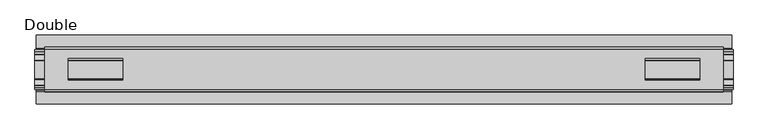
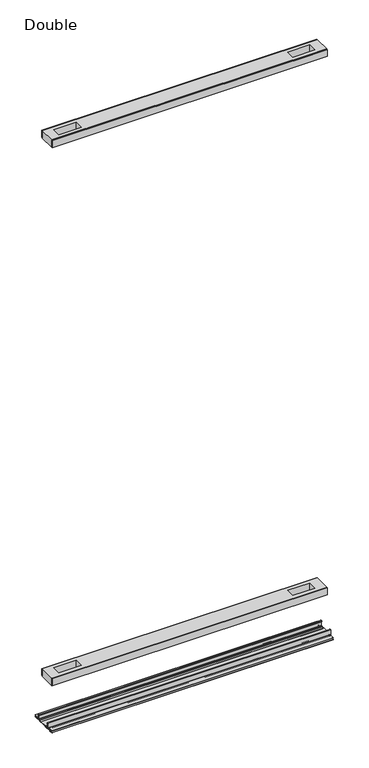
"""IFC4 building model written with IfcOpenShell, lengths in millimetres: proxy geometry, Double."""

from ifc_helpers import new_model, si_unit, point, frame, frame_2d, origin, place, context, project, spatial, polyline, circle_curve, trimmed, segment, composite_curve, outline, extrude, source, transform, mapped, element, save


def double_e8f0c162(model_context):
    return source(origin(), model_context, "Body", "SweptSolid", [
        extrude(outline(polyline([(492.0615091, 29.0068005), (-492.0615091, 29.0068005), (-492.0615091, 32.1817997), (492.0615091, 32.1817997), (492.0615091, 29.0068005)])), frame((0.0, 0.0, 2186.2851593), z_axis=(0.0, 0.0, 1.0), x_axis=(1.0, 0.0, 0.0)), (0.0, 0.0, 1.0), 25.3999939),
        extrude(outline(polyline([(492.0615091, -32.1817997), (-492.0615091, -32.1817997), (-492.0615091, -29.0068005), (492.0615091, -29.0068005), (492.0615091, -32.1817997)])), frame((0.0, 0.0, 2186.2851593), z_axis=(0.0, 0.0, 1.0), x_axis=(1.0, 0.0, 0.0)), (0.0, 0.0, 1.0), 25.3999939),
        extrude(outline(polyline([(492.0615091, -29.0068005), (-492.0615091, -29.0068005), (-492.0615091, 29.0068005), (492.0615091, 29.0068005), (492.0615091, -29.0068005)]), holes=[polyline([(457.6444965, -15.1130038), (457.6444965, 15.875003), (378.5996847, 15.875003), (378.5996847, -15.1130038), (457.6444965, -15.1130038)]), polyline([(-457.6444965, -15.1130038), (-378.5996847, -15.1130038), (-378.5996847, 15.875003), (-457.6444965, 15.875003), (-457.6444965, -15.1130038)])]), frame((0.0, 0.0, 2184.9851569), z_axis=(0.0, 0.0, 1.0), x_axis=(1.0, 0.0, 0.0)), (0.0, 0.0, 1.0), 27.9999988),
        extrude(outline(polyline([(492.0615091, 29.0068005), (-492.0615091, 29.0068005), (-492.0615091, 32.1817997), (492.0615091, 32.1817997), (492.0615091, 29.0068005)])), frame((0.0, 0.0, 149.8401622), z_axis=(0.0, 0.0, 1.0), x_axis=(1.0, 0.0, 0.0)), (0.0, 0.0, 1.0), 25.3999939),
        extrude(outline(polyline([(492.0615091, -32.1817997), (-492.0615091, -32.1817997), (-492.0615091, -29.0068005), (492.0615091, -29.0068005), (492.0615091, -32.1817997)])), frame((0.0, 0.0, 149.8401622), z_axis=(0.0, 0.0, 1.0), x_axis=(1.0, 0.0, 0.0)), (0.0, 0.0, 1.0), 25.3999939),
        extrude(outline(polyline([(492.0615091, -29.0068005), (-492.0615091, -29.0068005), (-492.0615091, 29.0068005), (492.0615091, 29.0068005), (492.0615091, -29.0068005)]), holes=[polyline([(457.6444965, -15.1130038), (457.6444965, 15.875003), (378.5996847, 15.875003), (378.5996847, -15.1130038), (457.6444965, -15.1130038)]), polyline([(-457.6444965, -15.1130038), (-378.5996847, -15.1130038), (-378.5996847, 15.875003), (-457.6444965, 15.875003), (-457.6444965, -15.1130038)])]), frame((0.0, 0.0, 148.4185847), z_axis=(0.0, 0.0, 1.0), x_axis=(1.0, 0.0, 0.0)), (0.0, 0.0, 1.0), 27.9999988),
        extrude(outline(composite_curve([segment(trimmed(circle_curve(frame_2d((26.6420561, -7.7516037)), 2.17424), [point((28.8162961, -7.7516037))], [point((26.6420561, -9.9258438))], False, "CARTESIAN"), True, "CONTINUOUS"), segment(polyline([(26.6420561, -9.9258438), (22.3510694, -9.9258438)]), True, "CONTINUOUS"), segment(trimmed(circle_curve(frame_2d((17.7706549, -6.4800016)), 5.7318431), [point((22.3510694, -9.9258438))], [point((13.1902404, -9.9258438))], False, "CARTESIAN"), True, "CONTINUOUS"), segment(polyline([(13.1902404, -9.9258438), (-13.57124, -9.9258438)]), True, "CONTINUOUS"), segment(trimmed(circle_curve(frame_2d((-18.1516545, -6.4800016)), 5.7318431), [point((-13.57124, -9.9258438))], [point((-22.732069, -9.9258438))], False, "CARTESIAN"), True, "CONTINUOUS"), segment(polyline([(-22.732069, -9.9258438), (-27.0230557, -9.9258438)]), True, "CONTINUOUS"), segment(trimmed(circle_curve(frame_2d((-27.0230557, -7.7516037)), 2.17424), [point((-27.0230557, -9.9258438))], [point((-29.1972958, -7.7516037))], False, "CARTESIAN"), True, "CONTINUOUS"), segment(polyline([(-29.1972958, -7.7516037), (-29.1972958, 9.8607558)]), True, "CONTINUOUS"), segment(trimmed(circle_curve(frame_2d((-27.9780978, 9.8607558)), 1.2191979), [point((-29.1972958, 9.8607558))], [point((-26.7588999, 9.8607558))], False, "CARTESIAN"), True, "CONTINUOUS"), segment(polyline([(-26.7588999, 9.8607558), (-26.7588999, 5.9999563), (-28.0390765, 5.9999563), (-28.0390765, -7.7516037)]), True, "CONTINUOUS"), segment(trimmed(circle_curve(frame_2d((-27.0230557, -7.7516037)), 1.0160208), [point((-28.0390765, -7.7516037))], [point((-27.0295728, -8.7676036))], True, "CARTESIAN"), True, "CONTINUOUS"), segment(polyline([(-27.0295728, -8.7676036), (-23.0866222, -8.7676036), (-22.1732605, -8.968753)]), True, "CONTINUOUS"), segment(trimmed(circle_curve(frame_2d((-18.1483018, -6.1259382)), 4.9276657), [point((-22.1732605, -8.968753))], [point((-14.123343, -8.968753))], True, "CARTESIAN"), True, "CONTINUOUS"), segment(polyline([(-14.123343, -8.968753), (-13.2099722, -8.7676036), (12.8289726, -8.7676036), (13.7423434, -8.968753)]), True, "CONTINUOUS"), segment(trimmed(circle_curve(frame_2d((17.7673021, -6.1259382)), 4.9276657), [point((13.7423434, -8.968753))], [point((21.7922609, -8.968753))], True, "CARTESIAN"), True, "CONTINUOUS"), segment(polyline([(21.7922609, -8.968753), (22.7056226, -8.7676036), (26.6485732, -8.7676036)]), True, "CONTINUOUS"), segment(trimmed(circle_curve(frame_2d((26.6420561, -7.7516037)), 1.0160208), [point((26.6485732, -8.7676036))], [point((27.6580769, -7.7516037))], True, "CARTESIAN"), True, "CONTINUOUS"), segment(polyline([(27.6580769, -7.7516037), (27.6580769, 5.9999563), (26.3779003, 5.9999563), (26.3779003, 9.8607558)]), True, "CONTINUOUS"), segment(trimmed(circle_curve(frame_2d((27.5970982, 9.8607558)), 1.2191979), [point((26.3779003, 9.8607558))], [point((28.8162961, 9.8607558))], False, "CARTESIAN"), True, "CONTINUOUS"), segment(polyline([(28.8162961, 9.8607558), (28.8162961, -7.7516037)]), True, "CONTINUOUS")], self_intersect=False)), frame((-506.1204, 0.0, 0.0), z_axis=(1.0, 0.0, 0.0), x_axis=(0.0, 1.0, 0.0)), (0.0, 0.0, 1.0), 1012.2408),
        extrude(outline(composite_curve([segment(polyline([(50.2668422, -13.9898438), (39.6557522, -13.9898438)]), True, "CONTINUOUS"), segment(trimmed(circle_curve(frame_2d((39.6557522, -12.4658438)), 1.524), [point((39.6557522, -13.9898438))], [point((38.1317522, -12.4658438))], False, "CARTESIAN"), True, "CONTINUOUS"), segment(polyline([(38.1317522, -12.4658438), (38.1317522, -7.766844), (31.3054974, -7.766844), (31.3054974, -10.0528438)]), True, "CONTINUOUS"), segment(trimmed(circle_curve(frame_2d((29.7814974, -10.0528438)), 1.524), [point((31.3054974, -10.0528438))], [point((29.7814974, -11.5768438))], False, "CARTESIAN"), True, "CONTINUOUS"), segment(polyline([(29.7814974, -11.5768438), (23.2753553, -11.5768438)]), True, "CONTINUOUS"), segment(trimmed(circle_curve(frame_2d((17.7673021, -6.4968436)), 7.4930002), [point((23.2753553, -11.5768438))], [point((12.5094972, -11.8354331))], False, "CARTESIAN"), True, "CONTINUOUS"), segment(polyline([(12.5094972, -11.8354331), (-12.8904968, -11.8354331)]), True, "CONTINUOUS"), segment(trimmed(circle_curve(frame_2d((-18.1483018, -6.4968436)), 7.4930002), [point((-12.8904968, -11.8354331))], [point((-23.6563549, -11.5768438))], False, "CARTESIAN"), True, "CONTINUOUS"), segment(polyline([(-23.6563549, -11.5768438), (-30.1624971, -11.5768438)]), True, "CONTINUOUS"), segment(trimmed(circle_curve(frame_2d((-30.1624971, -10.0528438)), 1.524), [point((-30.1624971, -11.5768438))], [point((-31.686497, -10.0528438))], False, "CARTESIAN"), True, "CONTINUOUS"), segment(polyline([(-31.686497, -10.0528438), (-31.686497, -7.766844), (-38.5127519, -7.766844), (-38.5127519, -12.4658438)]), True, "CONTINUOUS"), segment(trimmed(circle_curve(frame_2d((-40.0367518, -12.4658438)), 1.524), [point((-38.5127519, -12.4658438))], [point((-40.0367518, -13.9898438))], False, "CARTESIAN"), True, "CONTINUOUS"), segment(polyline([(-40.0367518, -13.9898438), (-50.00625, -13.9898438), (-50.00625, -12.3388438), (-40.1637503, -12.3388438), (-40.1637503, -7.766844), (-50.00625, -7.766844), (-50.00625, -6.1158439), (-31.6239218, -6.1158439)]), True, "CONTINUOUS"), segment(trimmed(circle_curve(frame_2d((-31.6864982, -7.7656583)), 1.6510007), [point((-31.6239218, -6.1158439))], [point((-30.0354975, -7.7656583))], False, "CARTESIAN"), True, "CONTINUOUS"), segment(polyline([(-30.0354975, -7.7656583), (-30.0354975, -9.9258438), (-23.486834, -9.9258438)]), True, "CONTINUOUS"), segment(trimmed(circle_curve(frame_2d((-18.1483018, -5.2268471)), 7.1119966), [point((-23.486834, -9.9258438))], [point((-12.8097695, -9.9258438))], True, "CARTESIAN"), True, "CONTINUOUS"), segment(polyline([(-12.8097695, -9.9258438), (12.4287699, -9.9258438)]), True, "CONTINUOUS"), segment(trimmed(circle_curve(frame_2d((17.7673021, -5.2268471)), 7.1119966), [point((12.4287699, -9.9258438))], [point((23.1058344, -9.9258438))], True, "CARTESIAN"), True, "CONTINUOUS"), segment(polyline([(23.1058344, -9.9258438), (29.6544978, -9.9258438), (29.6544978, -7.6398436)]), True, "CONTINUOUS"), segment(trimmed(circle_curve(frame_2d((31.1784975, -7.6398436)), 1.5239997), [point((29.6544978, -7.6398436))], [point((31.1784975, -6.1158439))], False, "CARTESIAN"), True, "CONTINUOUS"), segment(polyline([(31.1784975, -6.1158439), (50.2668422, -6.1158439), (50.2240211, -7.766844), (39.7827507, -7.766844), (39.7827507, -12.3388438), (50.2240211, -12.3388438), (50.2668422, -13.9898438)]), True, "CONTINUOUS")], self_intersect=False)), frame((-504.4694, 0.0, 0.0), z_axis=(1.0, 0.0, 0.0), x_axis=(0.0, 1.0, 0.0)), (0.0, 0.0, 1.0), 1008.9388),
    ])


if __name__ == "__main__":
    model = new_model("IFC4")
    model_context = context("Model", 3, world=origin())
    ifc_project = project(units=[si_unit("LENGTHUNIT", "METRE", prefix="MILLI")], contexts=[model_context])
    site = spatial("IfcSite", under=ifc_project)
    building = spatial("IfcBuilding", under=site)
    placement = place(None, origin())
    double_shape = double_e8f0c162(model_context)
    element("IfcBuildingElementProxy", 1, Name="Double", ObjectType="Double", at=placement, inside=building, context=model_context, shape_type="MappedRepresentation", body=[
        mapped(double_shape, transform((0.0, 0.0, 0.0), x_axis=(1.0, 0.0, 0.0), y_axis=(0.0, 1.0, 0.0), z_axis=(0.0, 0.0, 1.0))),
    ])
    save(model, "model.ifc")
